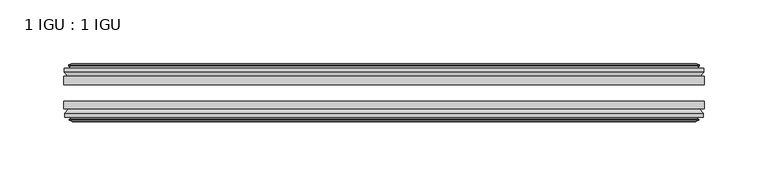
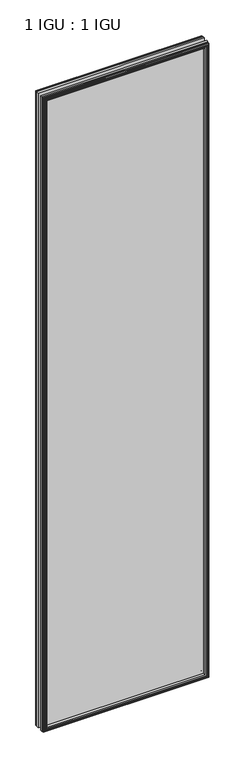
"""IFC4 building model written with IfcOpenShell, lengths in millimetres: plate geometry, 1 IGU : 1 IGU."""

from ifc_helpers import new_model, si_unit, frame, origin, place, context, project, spatial, polyline, outline, extrude, faceted_brep, source, transform, mapped, element, save


def plate_1_igu_1_igu_c875c62e(model_context):
    return source(origin(), model_context, "Body", "SolidModel", [
        extrude(outline(polyline([(250.3551766, -25.8960937), (250.3551766, -32.2460938), (-250.3551766, -32.2460938), (-250.3551766, -25.8960937), (250.3551766, -25.8960937)])), frame((0.0, 0.0, -12.7), z_axis=(0.0, 0.0, 1.0), x_axis=(1.0, 0.0, 0.0)), (0.0, 0.0, 1.0), 2019.3),
        extrude(outline(polyline([(-250.3551766, -51.2960938), (-250.3551766, -45.2686737), (250.3551766, -45.2686737), (250.3551766, -51.2960938), (-250.3551766, -51.2960938)])), frame((0.0, 0.0, -12.7), z_axis=(0.0, 0.0, 1.0), x_axis=(1.0, 0.0, 0.0)), (0.0, 0.0, 1.0), 2019.3),
        faceted_brep([(-244.7671766, -60.0262907, 2001.012), (-245.1481766, -57.6460937, 2001.393), (-245.1481766, -57.6460937, -7.493), (-244.7671766, -60.0262907, -7.112), (-246.1827056, -59.5663575, 2002.4275291), (-246.1827056, -59.5663575, -8.5275291), (-246.1827056, -60.3675717, 2002.4275291), (-246.1827056, -60.3675717, -8.5275291), (-244.0051766, -61.0750937, 2000.25), (-244.0051766, -61.0750937, -6.35), (-241.8276475, -60.3675717, 1998.072471), (-241.8276475, -60.3675717, -4.1724709), (-241.8276475, -59.5663575, 1998.072471), (-241.8276475, -59.5663575, -4.1724709), (-243.2431766, -60.0262907, 1999.488), (-243.2431766, -60.0262907, -5.588), (-242.8621766, -57.6460937, 1999.107), (-242.8621766, -57.6460937, -5.207), (-235.9374585, -51.2960937, 1992.1822819), (-237.6551766, -57.6460937, 1993.9), (-237.6551766, -57.6460937, 0.0), (-235.9374585, -51.2960937, 1.7177181), (-249.5931766, -54.6996937, 2005.838), (-246.7588344, -51.2960937, 2003.0036578), (-246.7588344, -51.2960937, -9.1036578), (-249.5931766, -54.6996937, -11.938), (-249.5931766, -57.6460937, 2005.838), (-249.5931766, -57.6460937, -11.938), (245.1481766, -57.6460938, -7.493), (244.7671766, -60.0262907, -7.112), (246.1827056, -59.5663575, -8.5275291), (246.1827056, -60.3675717, -8.5275291), (244.0051766, -61.0750937, -6.35), (241.8276475, -60.3675717, -4.1724709), (241.8276475, -59.5663575, -4.1724709), (243.2431766, -60.0262907, -5.588), (242.8621766, -57.6460937, -5.207), (237.6551766, -57.6460937, 0.0), (235.9374585, -51.2960937, 1.7177181), (246.7588344, -51.2960937, -9.1036578), (249.5931766, -54.6996937, -11.938), (249.5931766, -57.6460938, -11.938), (245.1481766, -57.6460938, 2001.393), (244.7671766, -60.0262907, 2001.012), (246.1827056, -59.5663575, 2002.4275291), (246.1827056, -60.3675717, 2002.4275291), (244.0051766, -61.0750937, 2000.25), (241.8276475, -60.3675717, 1998.072471), (241.8276475, -59.5663575, 1998.072471), (243.2431766, -60.0262907, 1999.488), (242.8621766, -57.6460937, 1999.107), (237.6551766, -57.6460937, 1993.9), (235.9374585, -51.2960937, 1992.1822819), (246.7588344, -51.2960937, 2003.0036578), (249.5931766, -54.6996937, 2005.838), (249.5931766, -57.6460938, 2005.838)], [[[0, 1, 2, 3]], [[4, 0, 3, 5]], [[6, 4, 5, 7]], [[8, 6, 7, 9]], [[10, 8, 9, 11]], [[12, 10, 11, 13]], [[14, 12, 13, 15]], [[16, 14, 15, 17]], [[18, 19, 20, 21]], [[22, 23, 24, 25]], [[26, 22, 25, 27]], [[3, 2, 28, 29]], [[5, 3, 29, 30]], [[7, 5, 30, 31]], [[9, 7, 31, 32]], [[11, 9, 32, 33]], [[13, 11, 33, 34]], [[15, 13, 34, 35]], [[17, 15, 35, 36]], [[21, 20, 37, 38]], [[25, 24, 39, 40]], [[27, 25, 40, 41]], [[29, 28, 42, 43]], [[30, 29, 43, 44]], [[31, 30, 44, 45]], [[32, 31, 45, 46]], [[33, 32, 46, 47]], [[34, 33, 47, 48]], [[35, 34, 48, 49]], [[36, 35, 49, 50]], [[38, 37, 51, 52]], [[40, 39, 53, 54]], [[41, 40, 54, 55]], [[27, 41, 55, 26], [1, 42, 28, 2]], [[43, 42, 1, 0]], [[44, 43, 0, 4]], [[45, 44, 4, 6]], [[46, 45, 6, 8]], [[47, 46, 8, 10]], [[48, 47, 10, 12]], [[49, 48, 12, 14]], [[50, 49, 14, 16]], [[17, 36, 50, 16], [19, 51, 37, 20]], [[52, 51, 19, 18]], [[23, 53, 39, 24], [21, 38, 52, 18]], [[54, 53, 23, 22]], [[55, 54, 22, 26]]]),
        faceted_brep([(-247.2795344, -25.8960937, 2003.5243578), (-250.1138766, -22.4924937, 2006.3587), (-250.1138766, -22.4924937, -12.4587), (-247.2795344, -25.8960937, -9.6243578), (-238.1758766, -19.5460937, 1994.4207), (-236.4581585, -25.8960937, 1992.7029819), (-236.4581585, -25.8960937, 1.1970181), (-238.1758766, -19.5460937, -0.5207), (-243.7638766, -17.1658968, 2000.0087), (-243.3828766, -19.5460937, 1999.6277), (-243.3828766, -19.5460937, -5.7277), (-243.7638766, -17.1658968, -6.1087), (-242.3483475, -17.62583, 1998.593171), (-242.3483475, -17.62583, -4.6931709), (-242.3483475, -16.8246158, 1998.593171), (-242.3483475, -16.8246158, -4.6931709), (-244.5258766, -16.1170937, 2000.7707), (-244.5258766, -16.1170937, -6.8707), (-246.7034056, -16.8246158, 2002.9482291), (-246.7034056, -16.8246158, -9.0482291), (-246.7034056, -17.62583, 2002.9482291), (-246.7034056, -17.62583, -9.0482291), (-245.2878766, -17.1658968, 2001.5327), (-245.2878766, -17.1658968, -7.6327), (-245.6688766, -19.5460937, 2001.9137), (-245.6688766, -19.5460937, -8.0137), (-250.1138766, -19.5460937, 2006.3587), (-250.1138766, -19.5460937, -12.4587), (250.1138766, -22.4924937, -12.4587), (247.2795344, -25.8960937, -9.6243578), (236.4581585, -25.8960937, 1.1970181), (238.1758766, -19.5460937, -0.5207), (243.3828766, -19.5460937, -5.7277), (243.7638766, -17.1658968, -6.1087), (242.3483475, -17.62583, -4.6931709), (242.3483475, -16.8246158, -4.6931709), (244.5258766, -16.1170937, -6.8707), (246.7034056, -16.8246158, -9.0482291), (246.7034056, -17.62583, -9.0482291), (245.2878766, -17.1658968, -7.6327), (245.6688766, -19.5460937, -8.0137), (250.1138766, -19.5460937, -12.4587), (250.1138766, -22.4924937, 2006.3587), (247.2795344, -25.8960937, 2003.5243578), (236.4581585, -25.8960937, 1992.7029819), (238.1758766, -19.5460937, 1994.4207), (243.3828766, -19.5460937, 1999.6277), (243.7638766, -17.1658968, 2000.0087), (242.3483475, -17.62583, 1998.593171), (242.3483475, -16.8246158, 1998.593171), (244.5258766, -16.1170937, 2000.7707), (246.7034056, -16.8246158, 2002.9482291), (246.7034056, -17.62583, 2002.9482291), (245.2878766, -17.1658968, 2001.5327), (245.6688766, -19.5460937, 2001.9137), (250.1138766, -19.5460937, 2006.3587)], [[[0, 1, 2, 3]], [[4, 5, 6, 7]], [[8, 9, 10, 11]], [[12, 8, 11, 13]], [[14, 12, 13, 15]], [[16, 14, 15, 17]], [[18, 16, 17, 19]], [[20, 18, 19, 21]], [[22, 20, 21, 23]], [[24, 22, 23, 25]], [[1, 26, 27, 2]], [[3, 2, 28, 29]], [[7, 6, 30, 31]], [[11, 10, 32, 33]], [[13, 11, 33, 34]], [[15, 13, 34, 35]], [[17, 15, 35, 36]], [[19, 17, 36, 37]], [[21, 19, 37, 38]], [[23, 21, 38, 39]], [[25, 23, 39, 40]], [[2, 27, 41, 28]], [[29, 28, 42, 43]], [[31, 30, 44, 45]], [[33, 32, 46, 47]], [[34, 33, 47, 48]], [[35, 34, 48, 49]], [[36, 35, 49, 50]], [[37, 36, 50, 51]], [[38, 37, 51, 52]], [[39, 38, 52, 53]], [[40, 39, 53, 54]], [[28, 41, 55, 42]], [[43, 42, 1, 0]], [[3, 29, 43, 0], [5, 44, 30, 6]], [[45, 44, 5, 4]], [[9, 46, 32, 10], [7, 31, 45, 4]], [[47, 46, 9, 8]], [[48, 47, 8, 12]], [[49, 48, 12, 14]], [[50, 49, 14, 16]], [[51, 50, 16, 18]], [[52, 51, 18, 20]], [[53, 52, 20, 22]], [[54, 53, 22, 24]], [[26, 55, 41, 27], [25, 40, 54, 24]], [[42, 55, 26, 1]]]),
    ])


if __name__ == "__main__":
    model = new_model("IFC4")
    model_context = context("Model", 3, world=origin())
    ifc_project = project(units=[si_unit("LENGTHUNIT", "METRE", prefix="MILLI")], contexts=[model_context])
    site = spatial("IfcSite", under=ifc_project)
    building = spatial("IfcBuilding", under=site)
    placement = place(None, origin())
    plate_1_igu_1_igu_shape = plate_1_igu_1_igu_c875c62e(model_context)
    element("IfcPlate", 1, ObjectType="1 IGU : 1 IGU", at=placement, inside=building, context=model_context, shape_type="MappedRepresentation", body=[
        mapped(plate_1_igu_1_igu_shape, transform((0.0, 0.0, 0.0), x_axis=(1.0, 0.0, 0.0), y_axis=(0.0, 1.0, 0.0), z_axis=(0.0, 0.0, 1.0))),
    ])
    save(model, "model.ifc")
